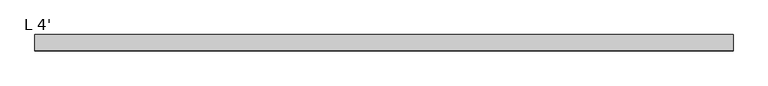
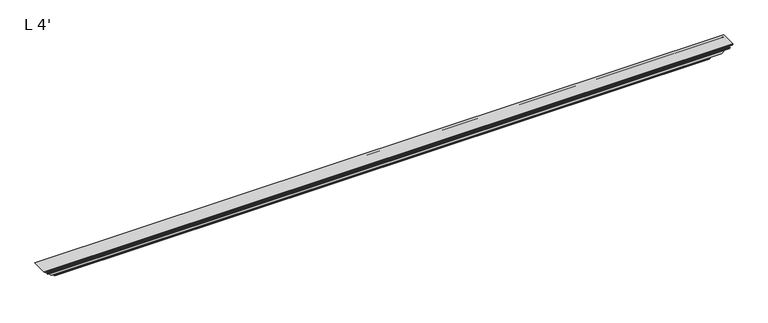
"""IFC4 building model written with IfcOpenShell, lengths in millimetres: proxy geometry, L 4'."""

from ifc_helpers import new_model, si_unit, frame, origin, place, context, project, spatial, polyline, ellipse_curve, source, transform, mapped, element, save
from ifc_brep_helpers import plane_surface, cylinder_surface, revolved_surface, advanced_brep


def l_4_b5c74a34(model_context):
    return source(origin(), model_context, "Body", "AdvancedBrep", [
        advanced_brep(
        [(1190.4458983, -2.38252, 1.5875), (28.7541017, -2.38252, 1.5875), (28.7541017, -7.9375, 1.5875), (1190.4458983, -7.9375, 1.5875), (30.3416017, -7.9375, 0.0), (1188.8583983, -7.9375, 0.0), (30.3416017, 0.0, 0.0), (1188.8583983, 0.0, 0.0), (0.0, 0.0, 30.3416017), (1219.2, 0.0, 30.3416017), (0.0, -27.77998, 30.3416017), (1219.2, -27.77998, 30.3416017), (0.79502, -28.575, 29.5465817), (1218.40498, -28.575, 29.5465817), (1.5875, -28.575, 28.7541017), (1217.6125, -28.575, 28.7541017), (1.8415, -27.727801, 28.5001017), (1217.3585, -27.727801, 28.5001017), (1.5875, -26.9589275, 28.7541017), (1217.6125, -26.9589275, 28.7541017), (1.8415, -26.1117286, 28.5001017), (1217.3585, -26.1117286, 28.5001017), (1.5875, -25.3428551, 28.7541017), (1217.6125, -25.3428551, 28.7541017), (1.8415, -24.4956561, 28.5001017), (1217.3585, -24.4956561, 28.5001017), (1.5875, -23.7267826, 28.7541017), (1217.6125, -23.7267826, 28.7541017), (1.8415, -22.8795836, 28.5001017), (1217.3585, -22.8795836, 28.5001017), (1.5875, -22.1107101, 28.7541017), (1217.6125, -22.1107101, 28.7541017), (1.8415, -21.2635111, 28.5001017), (1217.3585, -21.2635111, 28.5001017), (1.5875, -20.4946376, 28.7541017), (1217.6125, -20.4946376, 28.7541017), (1.8415, -19.6474387, 28.5001017), (1217.3585, -19.6474387, 28.5001017), (1.5875, -18.8785651, 28.7541017), (1217.6125, -18.8785651, 28.7541017), (1.8415, -18.0313662, 28.5001017), (1217.3585, -18.0313662, 28.5001017), (1.5875, -17.2624927, 28.7541017), (1217.6125, -17.2624927, 28.7541017), (1.8415, -16.4152937, 28.5001017), (1217.3585, -16.4152937, 28.5001017), (1.5875, -15.6464202, 28.7541017), (1217.6125, -15.6464202, 28.7541017), (1.8415, -14.7992212, 28.5001017), (1217.3585, -14.7992212, 28.5001017), (1.5875, -14.0303477, 28.7541017), (1217.6125, -14.0303477, 28.7541017), (1.9685003, -12.954, 28.3731014), (1217.2314997, -12.954, 28.3731014), (4.8894997, -12.954, 25.452102), (1214.3105003, -12.954, 25.452102), (5.2704999, -14.0303477, 25.0711017), (1213.9295001, -14.0303477, 25.0711017), (5.0164999, -14.7992212, 25.3251017), (1214.1835001, -14.7992212, 25.3251017), (5.2704999, -15.6464202, 25.0711017), (1213.9295001, -15.6464202, 25.0711017), (5.0164999, -16.4152937, 25.3251017), (1214.1835001, -16.4152937, 25.3251017), (5.2704999, -17.2624927, 25.0711017), (1213.9295001, -17.2624927, 25.0711017), (5.0164999, -18.0313662, 25.3251017), (1214.1835001, -18.0313662, 25.3251017), (5.2704999, -18.8785651, 25.0711017), (1213.9295001, -18.8785651, 25.0711017), (5.0164999, -19.6474387, 25.3251017), (1214.1835001, -19.6474387, 25.3251017), (5.2704999, -20.4946376, 25.0711017), (1213.9295001, -20.4946376, 25.0711017), (5.0164999, -21.2635111, 25.3251017), (1214.1835001, -21.2635111, 25.3251017), (5.2704999, -22.1107101, 25.0711017), (1213.9295001, -22.1107101, 25.0711017), (5.0164999, -22.8795836, 25.3251017), (1214.1835001, -22.8795836, 25.3251017), (5.2704999, -23.7267826, 25.0711017), (1213.9295001, -23.7267826, 25.0711017), (5.0164999, -24.4956561, 25.3251017), (1214.1835001, -24.4956561, 25.3251017), (5.2704999, -25.3428551, 25.0711017), (1213.9295001, -25.3428551, 25.0711017), (5.0164999, -26.1117286, 25.3251017), (1214.1835001, -26.1117286, 25.3251017), (5.2704999, -26.9589275, 25.0711017), (1213.9295001, -26.9589275, 25.0711017), (5.0164999, -27.727801, 25.3251017), (1214.1835001, -27.727801, 25.3251017), (5.2704999, -28.575, 25.0711017), (1213.9295001, -28.575, 25.0711017), (6.5291017, -28.575, 23.8125), (1212.6708983, -28.575, 23.8125), (6.5291017, -22.225, 23.8125), (1212.6708983, -22.225, 23.8125), (16.0541017, -22.225, 14.2875), (1203.1458983, -22.225, 14.2875), (16.0541017, -20.6375, 14.2875), (1203.1458983, -20.6375, 14.2875), (6.5291017, -20.6375, 23.8125), (1212.6708983, -20.6375, 23.8125), (6.5291017, -10.32002, 23.8125), (1212.6708983, -10.32002, 23.8125), (2.7114183, -10.32002, 27.6301834), (1216.4885817, -10.32002, 27.6301834), (1.9163983, -9.525, 28.4252034), (1217.2836017, -9.525, 28.4252034), (1.9163983, -3.683, 28.4252034), (1217.2836017, -3.683, 28.4252034), (4.0118983, -1.5875, 26.3297034), (1215.1881017, -1.5875, 26.3297034), (21.26005, -1.5875, 9.0815516), (1197.93995, -1.5875, 9.0815516), (21.9732651, -1.2699562, 8.3683365), (1197.2267349, -1.2699562, 8.3683365), (22.8349382, -1.2699562, 7.5066635), (1196.3650618, -1.2699562, 7.5066635), (23.5481533, -1.5875, 6.7934484), (1195.6518467, -1.5875, 6.7934484), (27.9590817, -1.5875, 2.38252), (1191.2409183, -1.5875, 2.38252)],
        [
            (0, 1),
            (1, 2),
            (2, 3),
            (3, 0),
            (2, 4),
            (4, 5),
            (5, 3),
            (4, 6),
            (6, 7),
            (7, 5),
            (8, 9),
            (9, 7),
            (6, 8),
            (8, 10),
            (10, 11),
            (11, 9),
            (10, 12, ellipse_curve(frame((0.79502, -27.77998, 29.5465817), z_axis=(0.7071067811865491, 0.0, 0.7071067811865459), x_axis=(0.707106781186546, 0.0, -0.7071067811865491)), 1.1243281, 0.79502)),
            (12, 13),
            (13, 11, ellipse_curve(frame((1218.40498, -27.77998, 29.5465817), z_axis=(-0.7071067811865498, 0.0, 0.7071067811865455), x_axis=(0.7071067811865451, 0.0, 0.7071067811865498)), 1.1243281, 0.79502)),
            (12, 14),
            (14, 15),
            (15, 13),
            (14, 16),
            (16, 17),
            (17, 15),
            (16, 18),
            (18, 19),
            (19, 17),
            (18, 20),
            (20, 21),
            (21, 19),
            (20, 22),
            (22, 23),
            (23, 21),
            (22, 24),
            (24, 25),
            (25, 23),
            (24, 26),
            (26, 27),
            (27, 25),
            (26, 28),
            (28, 29),
            (29, 27),
            (28, 30),
            (30, 31),
            (31, 29),
            (30, 32),
            (32, 33),
            (33, 31),
            (32, 34),
            (34, 35),
            (35, 33),
            (34, 36),
            (36, 37),
            (37, 35),
            (36, 38),
            (38, 39),
            (39, 37),
            (38, 40),
            (40, 41),
            (41, 39),
            (40, 42),
            (42, 43),
            (43, 41),
            (42, 44),
            (44, 45),
            (45, 43),
            (44, 46),
            (46, 47),
            (47, 45),
            (46, 48),
            (48, 49),
            (49, 47),
            (48, 50),
            (50, 51),
            (51, 49),
            (50, 52),
            (52, 53),
            (53, 51),
            (52, 54),
            (54, 55),
            (55, 53),
            (54, 56),
            (56, 57),
            (57, 55),
            (56, 58),
            (58, 59),
            (59, 57),
            (58, 60),
            (60, 61),
            (61, 59),
            (60, 62),
            (62, 63),
            (63, 61),
            (62, 64),
            (64, 65),
            (65, 63),
            (64, 66),
            (66, 67),
            (67, 65),
            (66, 68),
            (68, 69),
            (69, 67),
            (68, 70),
            (70, 71),
            (71, 69),
            (70, 72),
            (72, 73),
            (73, 71),
            (72, 74),
            (74, 75),
            (75, 73),
            (74, 76),
            (76, 77),
            (77, 75),
            (76, 78),
            (78, 79),
            (79, 77),
            (78, 80),
            (80, 81),
            (81, 79),
            (80, 82),
            (82, 83),
            (83, 81),
            (82, 84),
            (84, 85),
            (85, 83),
            (84, 86),
            (86, 87),
            (87, 85),
            (86, 88),
            (88, 89),
            (89, 87),
            (88, 90),
            (90, 91),
            (91, 89),
            (90, 92),
            (92, 93),
            (93, 91),
            (92, 94),
            (94, 95),
            (95, 93),
            (94, 96),
            (96, 97),
            (97, 95),
            (96, 98),
            (98, 99),
            (99, 97),
            (98, 100),
            (100, 101),
            (101, 99),
            (100, 102),
            (102, 103),
            (103, 101),
            (102, 104),
            (104, 105),
            (105, 103),
            (104, 106),
            (106, 107),
            (107, 105),
            (106, 108, ellipse_curve(frame((2.7114183, -9.525, 27.6301834), z_axis=(-0.7071067811865491, 0.0, -0.7071067811865459), x_axis=(-0.707106781186546, 0.0, 0.7071067811865491)), 1.1243281, 0.79502)),
            (108, 109),
            (109, 107, ellipse_curve(frame((1216.4885817, -9.525, 27.6301834), z_axis=(0.7071067811865498, 0.0, -0.7071067811865455), x_axis=(-0.7071067811865451, 0.0, -0.7071067811865498)), 1.1243281, 0.79502)),
            (108, 110),
            (110, 111),
            (111, 109),
            (110, 112, ellipse_curve(frame((4.0118983, -3.683, 26.3297034), z_axis=(-0.7071067811865491, 0.0, -0.7071067811865459), x_axis=(-0.707106781186546, 0.0, 0.7071067811865491)), 2.9634845, 2.0955)),
            (112, 113),
            (113, 111, ellipse_curve(frame((1215.1881017, -3.683, 26.3297034), z_axis=(0.7071067811865498, 0.0, -0.7071067811865455), x_axis=(-0.7071067811865451, 0.0, -0.7071067811865498)), 2.9634845, 2.0955)),
            (112, 114),
            (114, 115),
            (115, 113),
            (114, 116),
            (116, 117),
            (117, 115),
            (116, 118),
            (118, 119),
            (119, 117),
            (118, 120),
            (120, 121),
            (121, 119),
            (120, 122),
            (122, 123),
            (123, 121),
            (0, 123, ellipse_curve(frame((1191.2409183, -2.38252, 2.38252), z_axis=(0.7071067811865498, 0.0, -0.7071067811865455), x_axis=(-0.7071067811865451, 0.0, -0.7071067811865498)), 1.1243281, 0.79502)),
            (122, 1, ellipse_curve(frame((27.9590817, -2.38252, 2.38252), z_axis=(-0.7071067811865491, 0.0, -0.7071067811865459), x_axis=(-0.707106781186546, 0.0, 0.7071067811865491)), 1.1243281, 0.79502)),
        ],
        [
            plane_surface(frame((1219.2, -2.38252, 1.5875), z_axis=(0.0, 0.0, 1.0), x_axis=(-1.0, 0.0, 0.0))),
            plane_surface(frame((1219.2, -7.9375, 1.5875), z_axis=(0.0, -1.0, 0.0), x_axis=(-1.0, 0.0, 0.0))),
            plane_surface(frame((1219.2, -7.9375, 0.0), z_axis=(0.0, 0.0, -1.0), x_axis=(-1.0, 0.0, 0.0))),
            plane_surface(frame((1219.2, 0.0, 0.0), z_axis=(0.0, 1.0, 0.0), x_axis=(-1.0, 0.0, 0.0))),
            plane_surface(frame((1219.2, 0.0, 30.3416017), z_axis=(0.0, 0.0, 1.0), x_axis=(-1.0, 0.0, 0.0))),
            cylinder_surface(frame((0.0, -27.77998, 29.5465817), z_axis=(1.0, 0.0, 0.0), x_axis=(0.0, -1.0, 0.0)), 0.79502),
            plane_surface(frame((1219.2, -28.575, 29.5465817), z_axis=(0.0, -1.0, 0.0), x_axis=(-1.0, 0.0, 0.0))),
            plane_surface(frame((1219.2, -28.575, 28.7541017), z_axis=(0.0, -0.2871822410028713, -0.9578759629788028), x_axis=(-1.0, 0.0, 0.0))),
            plane_surface(frame((1219.2, -27.727801, 28.5001017), z_axis=(0.0, 0.3136800723185095, -0.9495287316507356), x_axis=(-1.0, 0.0, 0.0))),
            plane_surface(frame((1219.2, -26.9589275, 28.7541017), z_axis=(0.0, -0.28718224100287393, -0.9578759629788021), x_axis=(-1.0, 0.0, 0.0))),
            plane_surface(frame((1219.2, -26.1117286, 28.5001017), z_axis=(0.0, 0.31368007231851114, -0.9495287316507351), x_axis=(-1.0, 0.0, 0.0))),
            plane_surface(frame((1219.2, -25.3428551, 28.7541017), z_axis=(0.0, -0.28718224100287426, -0.957875962978802), x_axis=(-1.0, 0.0, 0.0))),
            plane_surface(frame((1219.2, -24.4956561, 28.5001017), z_axis=(0.0, 0.3136800723185096, -0.9495287316507356), x_axis=(-1.0, 0.0, 0.0))),
            plane_surface(frame((1219.2, -23.7267826, 28.7541017), z_axis=(0.0, -0.2871822410028725, -0.9578759629788025), x_axis=(-1.0, 0.0, 0.0))),
            plane_surface(frame((1219.2, -22.8795836, 28.5001017), z_axis=(0.0, 0.31368007231851114, -0.9495287316507351), x_axis=(-1.0, 0.0, 0.0))),
            plane_surface(frame((1219.2, -22.1107101, 28.7541017), z_axis=(0.0, -0.28718224100287065, -0.9578759629788031), x_axis=(-1.0, 0.0, 0.0))),
            plane_surface(frame((1219.2, -21.2635111, 28.5001017), z_axis=(0.0, 0.3136800723185078, -0.9495287316507361), x_axis=(-1.0, 0.0, 0.0))),
            plane_surface(frame((1219.2, -20.4946376, 28.7541017), z_axis=(0.0, -0.2871822410028682, -0.9578759629788037), x_axis=(-1.0, 0.0, 0.0))),
            plane_surface(frame((1219.2, -19.6474387, 28.5001017), z_axis=(0.0, 0.31368007231851025, -0.9495287316507354), x_axis=(-1.0, 0.0, 0.0))),
            plane_surface(frame((1219.2, -18.8785651, 28.7541017), z_axis=(0.0, -0.28718224100287326, -0.9578759629788022), x_axis=(-1.0, 0.0, 0.0))),
            plane_surface(frame((1219.2, -18.0313662, 28.5001017), z_axis=(0.0, 0.31368007231851114, -0.9495287316507351), x_axis=(-1.0, 0.0, 0.0))),
            plane_surface(frame((1219.2, -17.2624927, 28.7541017), z_axis=(0.0, -0.28718224100287426, -0.957875962978802), x_axis=(-1.0, 0.0, 0.0))),
            plane_surface(frame((1219.2, -16.4152937, 28.5001017), z_axis=(0.0, 0.3136800723185096, -0.9495287316507356), x_axis=(-1.0, 0.0, 0.0))),
            plane_surface(frame((1219.2, -15.6464202, 28.7541017), z_axis=(0.0, -0.2871822410028725, -0.9578759629788025), x_axis=(-1.0, 0.0, 0.0))),
            plane_surface(frame((1219.2, -14.7992212, 28.5001017), z_axis=(0.0, 0.3136800723185118, -0.9495287316507349), x_axis=(-1.0, 0.0, 0.0))),
            plane_surface(frame((1219.2, -14.0303477, 28.7541017), z_axis=(0.0, -0.33368665615366755, -0.9426840486106594), x_axis=(-1.0, 0.0, 0.0))),
            plane_surface(frame((1219.2, -12.954, 28.3731014), z_axis=(0.0, -1.0, 0.0), x_axis=(-1.0, 0.0, 0.0))),
            plane_surface(frame((1219.2, -12.954, 25.452102), z_axis=(0.0, -0.3336866561536585, 0.9426840486106627), x_axis=(-1.0, 0.0, 0.0))),
            plane_surface(frame((1219.2, -14.0303477, 25.0711017), z_axis=(0.0, 0.31368007231851414, 0.9495287316507341), x_axis=(-1.0, 0.0, 0.0))),
            plane_surface(frame((1219.2, -14.7992212, 25.3251017), z_axis=(0.0, -0.2871822410028643, 0.957875962978805), x_axis=(-1.0, 0.0, 0.0))),
            plane_surface(frame((1219.2, -15.6464202, 25.0711017), z_axis=(0.0, 0.3136800723185182, 0.9495287316507328), x_axis=(-1.0, 0.0, 0.0))),
            plane_surface(frame((1219.2, -16.4152937, 25.3251017), z_axis=(0.0, -0.2871822410028629, 0.9578759629788053), x_axis=(-1.0, 0.0, 0.0))),
            plane_surface(frame((1219.2, -17.2624927, 25.0711017), z_axis=(0.0, 0.3136800723185151, 0.9495287316507338), x_axis=(-1.0, 0.0, 0.0))),
            plane_surface(frame((1219.2, -18.0313662, 25.3251017), z_axis=(0.0, -0.28718224100286427, 0.957875962978805), x_axis=(-1.0, 0.0, 0.0))),
            plane_surface(frame((1219.2, -18.8785651, 25.0711017), z_axis=(0.0, 0.31368007231852046, 0.949528731650732), x_axis=(-1.0, 0.0, 0.0))),
            plane_surface(frame((1219.2, -19.6474387, 25.3251017), z_axis=(0.0, -0.2871822410028621, 0.9578759629788056), x_axis=(-1.0, 0.0, 0.0))),
            plane_surface(frame((1219.2, -20.4946376, 25.0711017), z_axis=(0.0, 0.31368007231851414, 0.949528731650734), x_axis=(-1.0, 0.0, 0.0))),
            plane_surface(frame((1219.2, -21.2635111, 25.3251017), z_axis=(0.0, -0.28718224100286366, 0.9578759629788052), x_axis=(-1.0, 0.0, 0.0))),
            plane_surface(frame((1219.2, -22.1107101, 25.0711017), z_axis=(0.0, 0.3136800723185189, 0.9495287316507325), x_axis=(-1.0, 0.0, 0.0))),
            plane_surface(frame((1219.2, -22.8795836, 25.3251017), z_axis=(0.0, -0.2871822410028624, 0.9578759629788055), x_axis=(-1.0, 0.0, 0.0))),
            plane_surface(frame((1219.2, -23.7267826, 25.0711017), z_axis=(0.0, 0.3136800723185205, 0.949528731650732), x_axis=(-1.0, 0.0, 0.0))),
            plane_surface(frame((1219.2, -24.4956561, 25.3251017), z_axis=(0.0, -0.2871822410028616, 0.9578759629788057), x_axis=(-1.0, 0.0, 0.0))),
            plane_surface(frame((1219.2, -25.3428551, 25.0711017), z_axis=(0.0, 0.3136800723185158, 0.9495287316507335), x_axis=(-1.0, 0.0, 0.0))),
            plane_surface(frame((1219.2, -26.1117286, 25.3251017), z_axis=(0.0, -0.28718224100286427, 0.957875962978805), x_axis=(-1.0, 0.0, 0.0))),
            plane_surface(frame((1219.2, -26.9589275, 25.0711017), z_axis=(0.0, 0.31368007231852046, 0.949528731650732), x_axis=(-1.0, 0.0, 0.0))),
            plane_surface(frame((1219.2, -27.727801, 25.3251017), z_axis=(0.0, -0.2871822410028621, 0.9578759629788056), x_axis=(-1.0, 0.0, 0.0))),
            plane_surface(frame((1219.2, -28.575, 25.0711017), z_axis=(0.0, -1.0, 0.0), x_axis=(-1.0, 0.0, 0.0))),
            plane_surface(frame((1219.2, -28.575, 23.8125), z_axis=(0.0, 0.0, -1.0), x_axis=(-1.0, 0.0, 0.0))),
            plane_surface(frame((1219.2, -22.225, 23.8125), z_axis=(0.0, -1.0, 0.0), x_axis=(-1.0, 0.0, 0.0))),
            plane_surface(frame((1219.2, -22.225, 14.2875), z_axis=(0.0, 0.0, -1.0), x_axis=(-1.0, 0.0, 0.0))),
            plane_surface(frame((1219.2, -20.6375, 14.2875), z_axis=(0.0, 1.0, 0.0), x_axis=(-1.0, 0.0, 0.0))),
            plane_surface(frame((1219.2, -20.6375, 23.8125), z_axis=(0.0, 0.0, -1.0), x_axis=(-1.0, 0.0, 0.0))),
            plane_surface(frame((1219.2, -10.32002, 23.8125), z_axis=(0.0, 1.0, 0.0), x_axis=(-1.0, 0.0, 0.0))),
            revolved_surface(polyline([(1.9163982762114151, -10.32002, 27.6301834), (1217.2836017237885, -10.32002, 27.6301834)]), (0.0, -9.525, 27.6301834), (-1.0, 0.0, 0.0)),
            plane_surface(frame((1219.2, -9.525, 28.4252034), z_axis=(0.0, 0.0, -1.0), x_axis=(-1.0, 0.0, 0.0))),
            revolved_surface(polyline([(1.9163983, -5.778499999999999, 26.3297034), (1217.2836017, -5.778499999999999, 26.3297034)]), (0.0, -3.683, 26.3297034), (-1.0, 0.0, 0.0)),
            plane_surface(frame((1219.2, -1.5875, 26.3297034), z_axis=(0.0, -1.0, 0.0), x_axis=(-1.0, 0.0, 0.0))),
            plane_surface(frame((1219.2, -1.5875, 9.0815516), z_axis=(0.0, -0.9135454576426015, -0.4067366430757988), x_axis=(-1.0, 0.0, 0.0))),
            plane_surface(frame((1219.2, -1.2699562, 8.3683365), z_axis=(0.0, -1.0, 0.0), x_axis=(-1.0, 0.0, 0.0))),
            plane_surface(frame((1219.2, -1.2699562, 7.5066635), z_axis=(0.0, -0.913545457642599, 0.4067366430758045), x_axis=(-1.0, 0.0, 0.0))),
            plane_surface(frame((1219.2, -1.5875, 6.7934484), z_axis=(0.0, -1.0, 0.0), x_axis=(-1.0, 0.0, 0.0))),
            revolved_surface(polyline([(27.164061676211414, -3.17754, 2.38252), (1192.0359383237885, -3.17754, 2.38252)]), (0.0, -2.38252, 2.38252), (-1.0, 0.0, 0.0)),
            plane_surface(frame((1219.2, -30.8857192, 30.3416017), z_axis=(0.7071067811865498, 0.0, -0.7071067811865455), x_axis=(0.0, 1.0, 0.0))),
            plane_surface(frame((30.3416017, -30.8857192, 0.0), z_axis=(-0.7071067811865491, 0.0, -0.7071067811865459), x_axis=(0.0, 1.0, 0.0))),
        ],
        [
            (0, [[1, 2, 3, 4]]),
            (1, [[-3, 5, 6, 7]]),
            (2, [[-6, 8, 9, 10]]),
            (3, [[11, 12, -9, 13]]),
            (4, [[-11, 14, 15, 16]]),
            (5, [[-15, 17, 18, 19]]),
            (6, [[-18, 20, 21, 22]]),
            (7, [[-21, 23, 24, 25]]),
            (8, [[-24, 26, 27, 28]]),
            (9, [[-27, 29, 30, 31]]),
            (10, [[-30, 32, 33, 34]]),
            (11, [[-33, 35, 36, 37]]),
            (12, [[-36, 38, 39, 40]]),
            (13, [[-39, 41, 42, 43]]),
            (14, [[-42, 44, 45, 46]]),
            (15, [[-45, 47, 48, 49]]),
            (16, [[-48, 50, 51, 52]]),
            (17, [[-51, 53, 54, 55]]),
            (18, [[-54, 56, 57, 58]]),
            (19, [[-57, 59, 60, 61]]),
            (20, [[-60, 62, 63, 64]]),
            (21, [[-63, 65, 66, 67]]),
            (22, [[-66, 68, 69, 70]]),
            (23, [[-69, 71, 72, 73]]),
            (24, [[-72, 74, 75, 76]]),
            (25, [[-75, 77, 78, 79]]),
            (26, [[-78, 80, 81, 82]]),
            (27, [[-81, 83, 84, 85]]),
            (28, [[-84, 86, 87, 88]]),
            (29, [[-87, 89, 90, 91]]),
            (30, [[-90, 92, 93, 94]]),
            (31, [[-93, 95, 96, 97]]),
            (32, [[-96, 98, 99, 100]]),
            (33, [[-99, 101, 102, 103]]),
            (34, [[-102, 104, 105, 106]]),
            (35, [[-105, 107, 108, 109]]),
            (36, [[-108, 110, 111, 112]]),
            (37, [[-111, 113, 114, 115]]),
            (38, [[-114, 116, 117, 118]]),
            (39, [[-117, 119, 120, 121]]),
            (40, [[-120, 122, 123, 124]]),
            (41, [[-123, 125, 126, 127]]),
            (42, [[-126, 128, 129, 130]]),
            (43, [[-129, 131, 132, 133]]),
            (44, [[-132, 134, 135, 136]]),
            (45, [[-135, 137, 138, 139]]),
            (46, [[-138, 140, 141, 142]]),
            (47, [[-141, 143, 144, 145]]),
            (48, [[-144, 146, 147, 148]]),
            (49, [[-147, 149, 150, 151]]),
            (50, [[-150, 152, 153, 154]]),
            (51, [[-153, 155, 156, 157]]),
            (52, [[-156, 158, 159, 160]]),
            (53, [[-159, 161, 162, 163]]),
            (54, [[-162, 164, 165, 166]]),
            (55, [[-165, 167, 168, 169]]),
            (56, [[-168, 170, 171, 172]]),
            (57, [[-171, 173, 174, 175]]),
            (58, [[-174, 176, 177, 178]]),
            (59, [[-177, 179, 180, 181]]),
            (60, [[-180, 182, 183, 184]]),
            (61, [[-1, 185, -183, 186]]),
            (62, [[-4, -7, -10, -12, -16, -19, -22, -25, -28, -31, -34, -37, -40, -43, -46, -49, -52, -55, -58, -61, -64, -67, -70, -73, -76, -79, -82, -85, -88, -91, -94, -97, -100, -103, -106, -109, -112, -115, -118, -121, -124, -127, -130, -133, -136, -139, -142, -145, -148, -151, -154, -157, -160, -163, -166, -169, -172, -175, -178, -181, -184, -185]]),
            (63, [[-2, -186, -182, -179, -176, -173, -170, -167, -164, -161, -158, -155, -152, -149, -146, -143, -140, -137, -134, -131, -128, -125, -122, -119, -116, -113, -110, -107, -104, -101, -98, -95, -92, -89, -86, -83, -80, -77, -74, -71, -68, -65, -62, -59, -56, -53, -50, -47, -44, -41, -38, -35, -32, -29, -26, -23, -20, -17, -14, -13, -8, -5]]),
        ],
    ),
    ])


if __name__ == "__main__":
    model = new_model("IFC4")
    model_context = context("Model", 3, world=origin())
    ifc_project = project(units=[si_unit("LENGTHUNIT", "METRE", prefix="MILLI")], contexts=[model_context])
    site = spatial("IfcSite", under=ifc_project)
    building = spatial("IfcBuilding", under=site)
    placement = place(None, origin())
    l_4_shape = l_4_b5c74a34(model_context)
    element("IfcBuildingElementProxy", 1, Name="L 4'", ObjectType="L 4'", at=placement, inside=building, context=model_context, shape_type="MappedRepresentation", body=[
        mapped(l_4_shape, transform((0.0, 0.0, 0.0), x_axis=(1.0, 0.0, 0.0), y_axis=(0.0, 1.0, 0.0), z_axis=(0.0, 0.0, 1.0))),
    ])
    save(model, "model.ifc")
